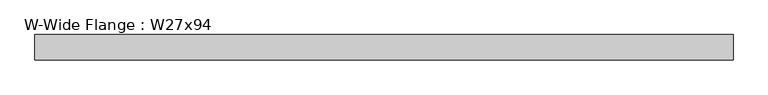
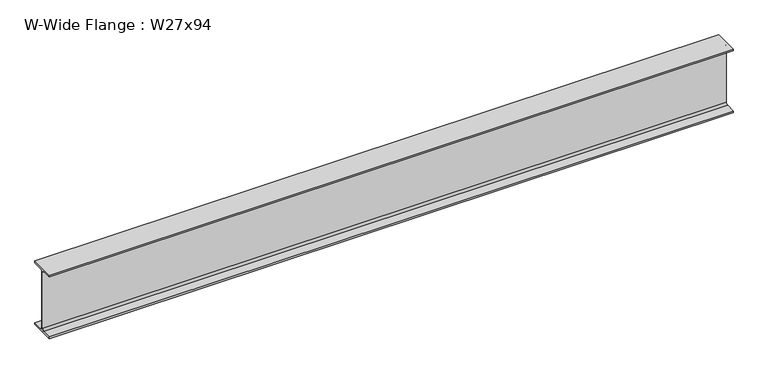
"""IFC4 building model written with IfcOpenShell, lengths in millimetres: beam geometry, W-Wide Flange : W27x94."""

from ifc_helpers import new_model, si_unit, point, frame, frame_2d, origin, place, context, project, spatial, polyline, circle_curve, trimmed, segment, composite_curve, outline, extrude, source, transform, mapped, element, save


def w_wide_flange_w27x94_1b2d6996(model_context):
    return source(origin(), model_context, "Body", "SweptSolid", [
        extrude(outline(composite_curve([segment(polyline([(127.0, -322.707), (127.0, -341.63), (-127.0, -341.63), (-127.0, -322.707), (-28.575, -322.707)]), True, "CONTINUOUS"), segment(trimmed(circle_curve(frame_2d((-28.575, -300.355)), 22.352), [point((-28.575, -322.707))], [point((-6.223, -300.355))], True, "CARTESIAN"), True, "CONTINUOUS"), segment(polyline([(-6.223, -300.355), (-6.223, 300.355)]), True, "CONTINUOUS"), segment(trimmed(circle_curve(frame_2d((-28.575, 300.355)), 22.352), [point((-6.223, 300.355))], [point((-28.575, 322.707))], True, "CARTESIAN"), True, "CONTINUOUS"), segment(polyline([(-28.575, 322.707), (-127.0, 322.707), (-127.0, 341.63), (127.0, 341.63), (127.0, 322.707), (28.575, 322.707)]), True, "CONTINUOUS"), segment(trimmed(circle_curve(frame_2d((28.575, 300.355)), 22.352), [point((28.575, 322.707))], [point((6.223, 300.355))], True, "CARTESIAN"), True, "CONTINUOUS"), segment(polyline([(6.223, 300.355), (6.223, -300.355)]), True, "CONTINUOUS"), segment(trimmed(circle_curve(frame_2d((28.575, -300.355)), 22.352), [point((6.223, -300.355))], [point((28.575, -322.707))], True, "CARTESIAN"), True, "CONTINUOUS"), segment(polyline([(28.575, -322.707), (127.0, -322.707)]), True, "CONTINUOUS")], self_intersect=False)), frame((-3467.1, 0.0, 0.0), z_axis=(1.0, 0.0, 0.0), x_axis=(0.0, 1.0, 0.0)), (0.0, 0.0, 1.0), 6955.79),
    ])


if __name__ == "__main__":
    model = new_model("IFC4")
    model_context = context("Model", 3, world=origin())
    ifc_project = project(units=[si_unit("LENGTHUNIT", "METRE", prefix="MILLI")], contexts=[model_context])
    site = spatial("IfcSite", under=ifc_project)
    building = spatial("IfcBuilding", under=site)
    placement = place(None, origin())
    w_wide_flange_w27x94_shape = w_wide_flange_w27x94_1b2d6996(model_context)
    element("IfcBeam", 1, ObjectType="W-Wide Flange : W27x94", at=placement, inside=building, context=model_context, shape_type="MappedRepresentation", body=[
        mapped(w_wide_flange_w27x94_shape, transform((0.0, 0.0, 0.0), x_axis=(1.0, 0.0, 0.0), y_axis=(0.0, 1.0, 0.0), z_axis=(0.0, 0.0, 1.0))),
    ])
    save(model, "model.ifc")
